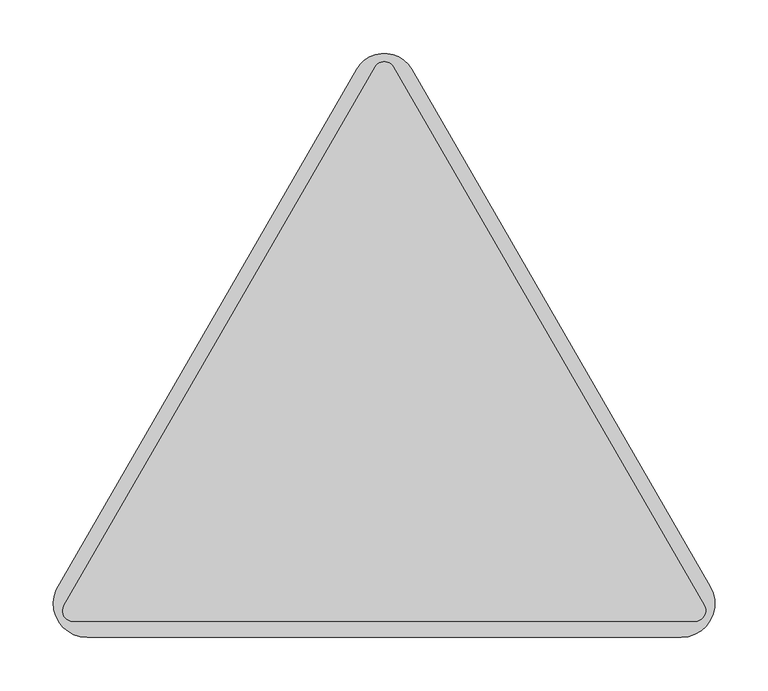
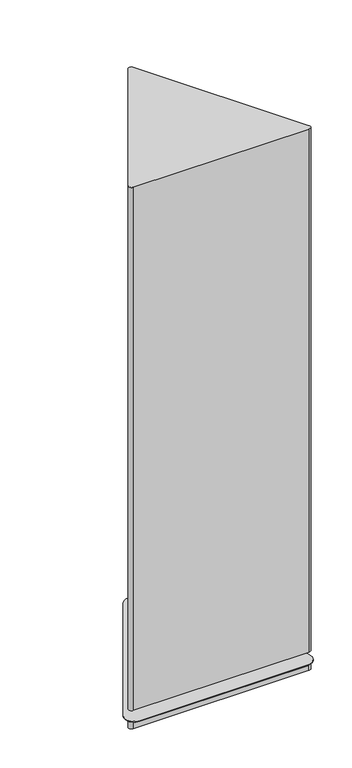
"""IFC4 building model written with IfcOpenShell, lengths in millimetres: furniture geometry."""

from ifc_helpers import new_model, si_unit, point, frame, frame_2d, origin, place, context, project, spatial, polyline, circle_curve, trimmed, segment, composite_curve, outline, extrude, source, transform, mapped, element, save
from ifc_brep_helpers import plane_surface, cylinder_surface, advanced_brep


def furniture_3d2c9c66(model_context):
    return source(origin(), model_context, "Body", "SolidModel", [
        extrude(outline(composite_curve([segment(polyline([(519.7661537, -201.121178), (812.0413924, 305.1144552)]), True, "CONTINUOUS"), segment(trimmed(circle_curve(frame_2d((820.6763626, 300.1290536)), 9.9708044), [point((812.0413924, 305.1144552))], [point((829.3113326, 305.1144555))], False, "CARTESIAN"), True, "CONTINUOUS"), segment(polyline([(829.3113326, 305.1144555), (1121.3113421, -200.6444313)]), True, "CONTINUOUS"), segment(trimmed(circle_curve(frame_2d((1112.5421985, -205.7072984)), 10.1257347), [point((1121.3113421, -200.6444313))], [point((1112.5421985, -215.8330331))], False, "CARTESIAN"), True, "CONTINUOUS"), segment(polyline([(1112.5421985, -215.8330331), (528.2600477, -215.8330331)]), True, "CONTINUOUS"), segment(trimmed(circle_curve(frame_2d((528.2600477, -206.0251294)), 9.8079037), [point((528.2600477, -215.8330331))], [point((519.7661537, -201.121178))], False, "CARTESIAN"), True, "CONTINUOUS")], self_intersect=False)), frame((0.0, 0.0, 64.0000043), z_axis=(0.0, 0.0, 1.0), x_axis=(1.0, 0.0, 0.0)), (0.0, 0.0, 1.0), 1835.9398394),
        advanced_brep(
        [(846.6202308, 303.1346939, 33.0000002), (794.7326652, 303.1347025, 33.0000002), (512.4205907, -185.8439671, 33.0000002), (541.4357547, -230.4851563, 33.0000002), (1099.7130718, -230.4851563, 33.0000002), (1127.2093811, -182.8601609, 33.0000002), (830.6876493, 168.1228485, 33.0000002), (810.4611773, 168.1228485, 33.0000002), (653.1016849, -139.8296569, 33.0000002), (632.875213, -139.8296569, 33.0000002), (1008.2736136, -139.8296569, 33.0000002), (988.0471416, -139.8296569, 33.0000002), (846.6202308, 303.1346939, 30.0000016), (1127.2093811, -182.8601609, 30.0000016), (1099.7130718, -230.4851563, 30.0000016), (541.4357547, -230.4851563, 30.0000016), (512.4205907, -185.8439671, 30.0000016), (794.7326652, 303.1347025, 30.0000016), (1112.5877406, -215.8330331, 30.0000016), (1121.3341131, -200.683872, 30.0000016), (829.4933363, 304.7992158, 30.0000016), (812.0535444, 304.8017078, 30.0000016), (519.0283677, -202.3980279, 30.0000016), (528.5610859, -215.8330331, 30.0000016), (1112.5877406, -215.8330331, 0.0), (528.5610859, -215.8330331, 0.0), (519.0283677, -202.3980279, 0.0), (812.0535444, 304.8017078, 0.0), (829.4933363, 304.7992158, 0.0), (1121.3341131, -200.683872, 0.0), (810.4611773, 168.1228485, 64.0000043), (830.6876493, 168.1228485, 64.0000043), (632.875213, -139.8296569, 64.0000043), (653.1016849, -139.8296569, 64.0000043), (988.0471416, -139.8296569, 64.0000043), (1008.2736136, -139.8296569, 64.0000043)],
        [
            (0, 1, circle_curve(frame((820.6764455, 288.1560483, 33.0000002), z_axis=(0.0, 0.0, 1.0), x_axis=(1.0, 0.0, 0.0)), 29.9572999)),
            (1, 2),
            (2, 3, circle_curve(frame((541.4357547, -198.7351563, 33.0000002), z_axis=(0.0, 0.0, 1.0), x_axis=(1.0, 0.0, 0.0)), 31.75)),
            (3, 4),
            (4, 5, circle_curve(frame((1099.7130718, -198.7351563, 33.0000002), z_axis=(0.0, 0.0, 1.0), x_axis=(1.0, 0.0, 0.0)), 31.75)),
            (5, 0),
            (6, 7, circle_curve(frame((820.5744133, 168.1228485, 33.0000002), z_axis=(0.0, 0.0, -1.0), x_axis=(1.0, 0.0, 0.0)), 10.113236)),
            (7, 6, circle_curve(frame((820.5744133, 168.1228485, 33.0000002), z_axis=(0.0, 0.0, -1.0), x_axis=(1.0, 0.0, 0.0)), 10.113236)),
            (8, 9, circle_curve(frame((642.988449, -139.8296569, 33.0000002), z_axis=(0.0, 0.0, -1.0), x_axis=(1.0, 0.0, 0.0)), 10.113236)),
            (9, 8, circle_curve(frame((642.988449, -139.8296569, 33.0000002), z_axis=(0.0, 0.0, -1.0), x_axis=(1.0, 0.0, 0.0)), 10.113236)),
            (10, 11, circle_curve(frame((998.1603776, -139.8296569, 33.0000002), z_axis=(0.0, 0.0, -1.0), x_axis=(1.0, 0.0, 0.0)), 10.113236)),
            (11, 10, circle_curve(frame((998.1603776, -139.8296569, 33.0000002), z_axis=(0.0, 0.0, -1.0), x_axis=(1.0, 0.0, 0.0)), 10.113236)),
            (12, 13),
            (13, 14, circle_curve(frame((1099.7130718, -198.7351563, 30.0000016), z_axis=(0.0, 0.0, -1.0), x_axis=(1.0, 0.0, 0.0)), 31.75)),
            (14, 15),
            (15, 16, circle_curve(frame((541.4357547, -198.7351563, 30.0000016), z_axis=(0.0, 0.0, -1.0), x_axis=(1.0, 0.0, 0.0)), 31.75)),
            (16, 17),
            (17, 12, circle_curve(frame((820.6764455, 288.1560483, 30.0000016), z_axis=(0.0, 0.0, -1.0), x_axis=(1.0, 0.0, 0.0)), 29.9572999)),
            (18, 19, circle_curve(frame((1112.5877406, -205.7335922, 30.0000016), z_axis=(0.0, 0.0, 1.0), x_axis=(1.0, 0.0, 0.0)), 10.0994409)),
            (19, 20),
            (20, 21, circle_curve(frame((820.7727207, 299.7643665, 30.0000016), z_axis=(0.0, 0.0, 1.0), x_axis=(1.0, 0.0, 0.0)), 10.0696993)),
            (21, 22),
            (22, 23, circle_curve(frame((528.5610859, -205.7335922, 30.0000016), z_axis=(0.0, 0.0, 1.0), x_axis=(1.0, 0.0, 0.0)), 10.0994409)),
            (23, 18),
            (24, 25),
            (25, 26, circle_curve(frame((528.5610859, -205.7335922, 0.0), z_axis=(0.0, 0.0, -1.0), x_axis=(1.0, 0.0, 0.0)), 10.0994409)),
            (26, 27),
            (27, 28, circle_curve(frame((820.7727207, 299.7643665, 0.0), z_axis=(0.0, 0.0, -1.0), x_axis=(1.0, 0.0, 0.0)), 10.0696993)),
            (28, 29),
            (29, 24, circle_curve(frame((1112.5877406, -205.7335922, 0.0), z_axis=(0.0, 0.0, -1.0), x_axis=(1.0, 0.0, 0.0)), 10.0994409)),
            (30, 31, circle_curve(frame((820.5744133, 168.1228485, 64.0000043), z_axis=(0.0, 0.0, 1.0), x_axis=(1.0, 0.0, 0.0)), 10.113236)),
            (31, 30, circle_curve(frame((820.5744133, 168.1228485, 64.0000043), z_axis=(0.0, 0.0, 1.0), x_axis=(1.0, 0.0, 0.0)), 10.113236)),
            (32, 33, circle_curve(frame((642.988449, -139.8296569, 64.0000043), z_axis=(0.0, 0.0, 1.0), x_axis=(1.0, 0.0, 0.0)), 10.113236)),
            (33, 32, circle_curve(frame((642.988449, -139.8296569, 64.0000043), z_axis=(0.0, 0.0, 1.0), x_axis=(1.0, 0.0, 0.0)), 10.113236)),
            (34, 35, circle_curve(frame((998.1603776, -139.8296569, 64.0000043), z_axis=(0.0, 0.0, 1.0), x_axis=(1.0, 0.0, 0.0)), 10.113236)),
            (35, 34, circle_curve(frame((998.1603776, -139.8296569, 64.0000043), z_axis=(0.0, 0.0, 1.0), x_axis=(1.0, 0.0, 0.0)), 10.113236)),
            (29, 19),
            (18, 24),
            (28, 20),
            (27, 21),
            (26, 22),
            (25, 23),
            (0, 12),
            (17, 1),
            (16, 2),
            (15, 3),
            (14, 4),
            (13, 5),
            (30, 7),
            (6, 31),
            (32, 9),
            (8, 33),
            (34, 11),
            (10, 35),
        ],
        [
            plane_surface(frame((850.6337454, 288.1560483, 33.0000002), z_axis=(0.0, 0.0, 1.0), x_axis=(0.0, 1.0, 0.0))),
            plane_surface(frame((850.6337454, 288.1560483, 30.0000016), z_axis=(0.0, 0.0, -1.0), x_axis=(0.0, -1.0, 0.0))),
            plane_surface(frame((1122.6871815, -205.7335922, 0.0), z_axis=(0.0, 0.0, -1.0), x_axis=(0.0, -1.0, 0.0))),
            plane_surface(frame((830.6876493, 168.1228485, 64.0000043), z_axis=(0.0, 0.0, 1.0), x_axis=(0.0, 1.0, 0.0))),
            cylinder_surface(frame((1112.5877406, -205.7335922, 0.0), z_axis=(0.0, 0.0, 1.0), x_axis=(1.0, 0.0, 0.0)), 10.0994409),
            plane_surface(frame((1121.3341131, -200.683872, 30.0000016), z_axis=(0.8660254185772069, 0.4999999743781729, 0.0), x_axis=(0.0, 0.0, -1.0))),
            cylinder_surface(frame((820.7727207, 299.7643665, 0.0), z_axis=(0.0, 0.0, 1.0), x_axis=(1.0, 0.0, 0.0)), 10.0696993),
            plane_surface(frame((812.0535444, 304.8017078, 30.0000016), z_axis=(-0.8658824950397653, 0.5002474435553979, 0.0), x_axis=(0.0, 0.0, -1.0))),
            cylinder_surface(frame((528.5610859, -205.7335922, 0.0), z_axis=(0.0, 0.0, 1.0), x_axis=(1.0, 0.0, 0.0)), 10.0994409),
            plane_surface(frame((528.5610859, -215.8330331, 30.0000016), z_axis=(0.0, -1.0, 0.0), x_axis=(0.0, 0.0, -1.0))),
            cylinder_surface(frame((820.6764455, 288.1560483, 30.0000016), z_axis=(0.0, 0.0, 1.0), x_axis=(1.0, 0.0, 0.0)), 29.9572999),
            plane_surface(frame((794.7326652, 303.1347025, 33.0000002), z_axis=(-0.8660253210160144, 0.5000001433590889, 0.0), x_axis=(0.0, 0.0, -1.0))),
            cylinder_surface(frame((541.4357547, -198.7351563, 30.0000016), z_axis=(0.0, 0.0, 1.0), x_axis=(1.0, 0.0, 0.0)), 31.75),
            plane_surface(frame((541.4357547, -230.4851563, 33.0000002), z_axis=(0.0, -1.0, 0.0), x_axis=(0.0, 0.0, -1.0))),
            cylinder_surface(frame((1099.7130718, -198.7351563, 30.0000016), z_axis=(0.0, 0.0, 1.0), x_axis=(1.0, 0.0, 0.0)), 31.75),
            plane_surface(frame((1127.2093811, -182.8601609, 33.0000002), z_axis=(0.8660254885772087, 0.49999985313458534, 0.0), x_axis=(0.0, 0.0, -1.0))),
            cylinder_surface(frame((820.5744133, 168.1228485, 33.0000002), z_axis=(0.0, 0.0, 1.0), x_axis=(1.0, 0.0, 0.0)), 10.113236),
            cylinder_surface(frame((642.988449, -139.8296569, 0.0), z_axis=(0.0, 0.0, 1.0), x_axis=(1.0, 0.0, 0.0)), 10.113236),
            cylinder_surface(frame((998.1603776, -139.8296569, 0.0), z_axis=(0.0, 0.0, 1.0), x_axis=(1.0, 0.0, 0.0)), 10.113236),
        ],
        [
            (0, [[1, 2, 3, 4, 5, 6], [7, 8], [9, 10], [11, 12]]),
            (1, [[13, 14, 15, 16, 17, 18], [19, 20, 21, 22, 23, 24]]),
            (2, [[25, 26, 27, 28, 29, 30]]),
            (3, [[31, 32]]),
            (3, [[33, 34]]),
            (3, [[35, 36]]),
            (4, [[-30, 37, -19, 38]]),
            (5, [[-29, 39, -20, -37]]),
            (6, [[-28, 40, -21, -39]]),
            (7, [[-27, 41, -22, -40]]),
            (8, [[-26, 42, -23, -41]]),
            (9, [[-25, -38, -24, -42]]),
            (10, [[-1, 43, -18, 44]]),
            (11, [[-2, -44, -17, 45]]),
            (12, [[-3, -45, -16, 46]]),
            (13, [[-4, -46, -15, 47]]),
            (14, [[-5, -47, -14, 48]]),
            (15, [[-6, -48, -13, -43]]),
            (16, [[-31, 49, -7, 50]]),
            (16, [[-32, -50, -8, -49]]),
            (17, [[-33, 51, -9, 52]]),
            (17, [[-34, -52, -10, -51]]),
            (18, [[-35, 53, -11, 54]]),
            (18, [[-36, -54, -12, -53]]),
        ],
    ),
    ])


if __name__ == "__main__":
    model = new_model("IFC4")
    model_context = context("Model", 3, world=origin())
    ifc_project = project(units=[si_unit("LENGTHUNIT", "METRE", prefix="MILLI")], contexts=[model_context])
    site = spatial("IfcSite", under=ifc_project)
    building = spatial("IfcBuilding", under=site)
    placement = place(None, origin())
    furniture_shape = furniture_3d2c9c66(model_context)
    element("IfcFurniture", 1, at=placement, inside=building, context=model_context, shape_type="MappedRepresentation", body=[
        mapped(furniture_shape, transform((0.0, 0.0, 0.0), x_axis=(1.0, 0.0, 0.0), y_axis=(0.0, 1.0, 0.0), z_axis=(0.0, 0.0, 1.0))),
    ])
    save(model, "model.ifc")
